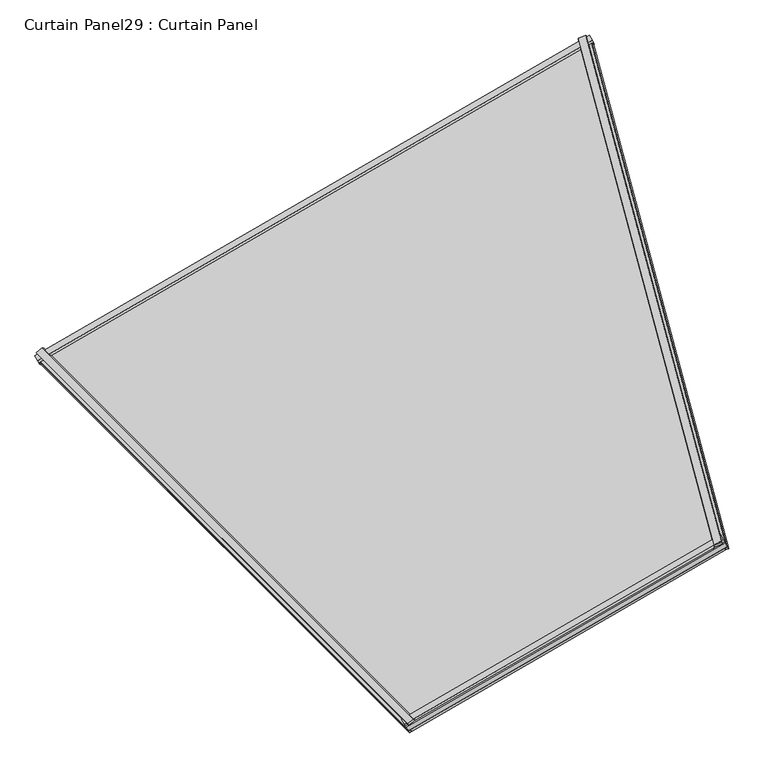
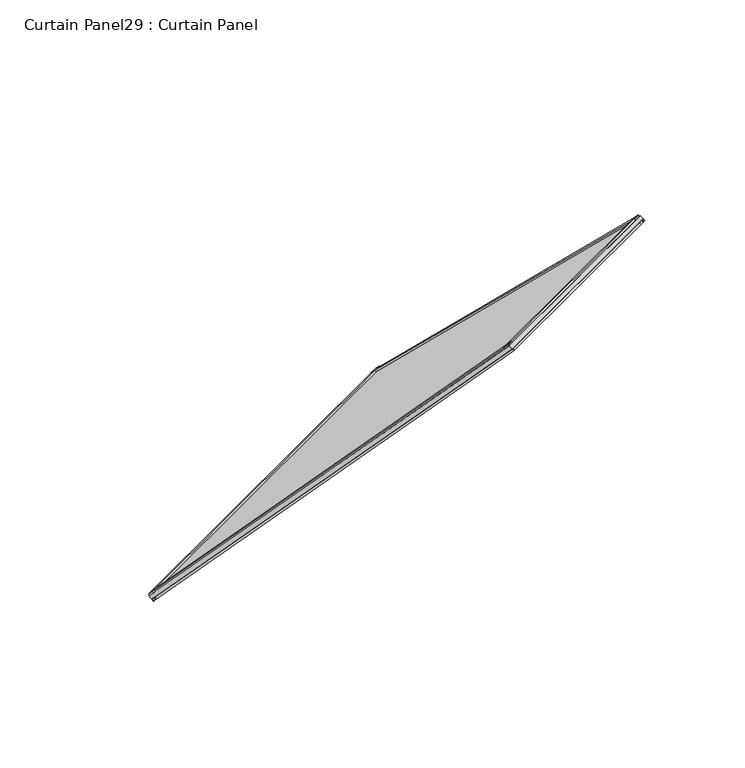
"""IFC4 building model written with IfcOpenShell, lengths in millimetres: plate geometry, Curtain Panel29 : Curtain Panel."""

import ifcopenshell
import ifcopenshell.guid

model = None  # the IFC model being written
_history = None  # IfcOwnerHistory: only IFC2X3 demands one
_inside = {}  # id of a spatial element -> (the spatial element, [elements in it])
_under = {}  # id of a project, library or spatial element -> (it, [spatial elements below it])
_declared = {}  # id of a project -> (the project, [libraries it declares])
_typed = {}  # id of a type object -> (the type object, [elements of that type])
_made_of = {}  # id of a material, layer set ... -> (it, [elements and type objects made of it])


def new_model(schema):
    """Start an empty IFC model of exactly this schema.

    Asked for "IFC4X3", IfcOpenShell would pick the latest addendum, in which some entities
    have other attributes; the version numbers below select the first issue.
    IFC2X3 requires an IfcOwnerHistory on every rooted entity: one is made here for all.
    """
    global model, _history
    if schema == "IFC4X3":
        model = ifcopenshell.file(schema_version=(4, 3, 0, 0))
    else:
        model = ifcopenshell.file(schema=schema)
    _inside.clear()
    _under.clear()
    _declared.clear()
    _typed.clear()
    _made_of.clear()
    _history = None
    if model.schema == "IFC2X3":
        org = make("IfcOrganization", Name="unknown")
        user = make(
            "IfcPersonAndOrganization",
            ThePerson=make("IfcPerson", FamilyName="unknown"),
            TheOrganization=org,
        )
        app = make(
            "IfcApplication",
            ApplicationDeveloper=org,
            Version="unknown",
            ApplicationFullName="unknown",
            ApplicationIdentifier="unknown",
        )
        _history = make(
            "IfcOwnerHistory",
            OwningUser=user,
            OwningApplication=app,
            ChangeAction="ADDED",
            CreationDate=0,
        )
    return model


def make(cls, **values):
    """One entity of the class cls with the attributes given. An attribute that is None is left unset."""
    return model.create_entity(
        cls, **{name: value for name, value in values.items() if value is not None}
    )


def rooted(cls, **values):
    """An entity with a GlobalId (a new one), such as an element, a storey or a relation."""
    return make(cls, GlobalId=ifcopenshell.guid.new(), OwnerHistory=_history, **values)


def si_unit(unit_type, name, prefix=None):
    """IfcSIUnit, for example si_unit("LENGTHUNIT", "METRE", prefix="MILLI")."""
    return make("IfcSIUnit", UnitType=unit_type, Prefix=prefix, Name=name)


def assignment(units):
    """IfcUnitAssignment: the units of a project."""
    return None if units is None else make("IfcUnitAssignment", Units=units)


def point(xyz):
    """IfcCartesianPoint."""
    return None if xyz is None else make("IfcCartesianPoint", Coordinates=xyz)


def direction(xyz):
    """IfcDirection."""
    return None if xyz is None else make("IfcDirection", DirectionRatios=xyz)


def frame(location, z_axis=None, x_axis=None):
    """IfcAxis2Placement3D, a coordinate frame: its origin and axes. An axis left out is left unset."""
    return make(
        "IfcAxis2Placement3D",
        Location=point(location),
        Axis=direction(z_axis),
        RefDirection=direction(x_axis),
    )


def origin():
    """The frame at (0, 0, 0) with its axes left unset."""
    return frame((0.0, 0.0, 0.0))


def place(relative_to, where):
    """IfcLocalPlacement: puts the frame where relative to a parent placement (None: the world)."""
    return make(
        "IfcLocalPlacement", PlacementRelTo=relative_to, RelativePlacement=where
    )


def context(
    kind, dimensions, precision=None, world=None, true_north=None, identifier=None
):
    """IfcGeometricRepresentationContext, for example the 3D "Model" context."""
    return make(
        "IfcGeometricRepresentationContext",
        ContextIdentifier=identifier,
        ContextType=kind,
        CoordinateSpaceDimension=dimensions,
        Precision=precision,
        WorldCoordinateSystem=world,
        TrueNorth=true_north,
    )


def project(units=None, contexts=None):
    """IfcProject with its units and contexts."""
    return rooted(
        "IfcProject",
        Name="project",
        RepresentationContexts=contexts,
        UnitsInContext=assignment(units),
    )


def spatial(cls, under=None, at=None, **own):
    """A site, building, storey or space (cls), placed at a placement, below another one or the project."""
    s = rooted(cls, ObjectPlacement=at, **own)
    if under is not None:
        _under.setdefault(under.id(), (under, []))[1].append(s)
    return s


def polyline(points):
    """IfcPolyline through the points."""
    return make("IfcPolyline", Points=[point(p) for p in points])


def outline(outer, holes=None, kind="AREA"):
    """IfcArbitraryClosedProfileDef: a profile drawn as a closed curve; with holes, ...WithVoids."""
    if holes is None:
        return make("IfcArbitraryClosedProfileDef", ProfileType=kind, OuterCurve=outer)
    return make(
        "IfcArbitraryProfileDefWithVoids",
        ProfileType=kind,
        OuterCurve=outer,
        InnerCurves=holes,
    )


def extrude(swept, where, along, depth):
    """IfcExtrudedAreaSolid: the profile swept, set in the frame where, extruded along a direction by depth."""
    return make(
        "IfcExtrudedAreaSolid",
        SweptArea=swept,
        Position=where,
        ExtrudedDirection=direction(along),
        Depth=depth,
    )


def shape(context_of_items, identifier, shape_type, items):
    """IfcShapeRepresentation: the items that make up one representation, for example the "Body"."""
    return make(
        "IfcShapeRepresentation",
        ContextOfItems=context_of_items,
        RepresentationIdentifier=identifier,
        RepresentationType=shape_type,
        Items=items,
    )


def source(mapping_origin, context_of_items, identifier, shape_type, items):
    """IfcRepresentationMap: a shape defined once, which mapped items show again and again."""
    return make(
        "IfcRepresentationMap",
        MappingOrigin=mapping_origin,
        MappedRepresentation=shape(context_of_items, identifier, shape_type, items),
    )


def transform(
    local_origin,
    x_axis=None,
    y_axis=None,
    z_axis=None,
    scale=None,
    scale2=None,
    scale3=None,
    uniform=True,
):
    """IfcCartesianTransformationOperator3D, or its non-uniform kind. x_axis, y_axis, z_axis: its Axis1, 2, 3."""
    if uniform:
        return make(
            "IfcCartesianTransformationOperator3D",
            Axis1=direction(x_axis),
            Axis2=direction(y_axis),
            LocalOrigin=point(local_origin),
            Scale=scale,
            Axis3=direction(z_axis),
        )
    return make(
        "IfcCartesianTransformationOperator3DnonUniform",
        Axis1=direction(x_axis),
        Axis2=direction(y_axis),
        LocalOrigin=point(local_origin),
        Scale=scale,
        Axis3=direction(z_axis),
        Scale2=scale2,
        Scale3=scale3,
    )


def mapped(mapping_source, mapping_target):
    """IfcMappedItem: shows the shape of a source again, moved by a transform."""
    return make(
        "IfcMappedItem", MappingSource=mapping_source, MappingTarget=mapping_target
    )


def made_of(thing, what):
    """Note that an element or type object is made of a material, layer set ...; save() writes the relation."""
    if what is not None:
        _made_of.setdefault(what.id(), (what, []))[1].append(thing)
    return thing


def element(
    cls,
    number,
    at=None,
    inside=None,
    cuts=None,
    type_object=None,
    material=None,
    context=None,
    identifier="Body",
    shape_type=None,
    held_by="IfcProductDefinitionShape",
    body=None,
    shapes=None,
    **own,
):
    """One element of the class cls, such as IfcWall. Its Tag is "e" and its number.

    at: its placement. inside: the storey or other place that contains it. cuts: it is an
    opening in that element (IfcRelVoidsElement). A single representation is given by context,
    identifier, shape_type and body (its items); several are given by shapes. held_by: the class
    of the entity that holds the representations. save() writes the other relations.
    """
    e = rooted(cls, Tag="e%d" % number, ObjectPlacement=at, **own)
    if body is not None:
        shapes = [shape(context, identifier, shape_type, body)]
    if shapes is not None:
        e.Representation = make(held_by, Representations=shapes)
    if inside is not None:
        _inside.setdefault(inside.id(), (inside, []))[1].append(e)
    if cuts is not None:
        rooted(
            "IfcRelVoidsElement", RelatingBuildingElement=cuts, RelatedOpeningElement=e
        )
    if type_object is not None:
        _typed.setdefault(type_object.id(), (type_object, []))[1].append(e)
    return made_of(e, material)


def aggregate(whole, parts):
    """IfcRelAggregates: a whole, such as a stair, and the parts it consists of."""
    return rooted("IfcRelAggregates", RelatingObject=whole, RelatedObjects=parts)


def save(model, path):
    """Write the relations noted so far, then the file.

    IfcRelAggregates (storeys below a building ...), IfcRelContainedInSpatialStructure (elements
    in a storey), IfcRelDefinesByType, IfcRelAssociatesMaterial and IfcRelDeclares: one each for
    every whole, place, type object, material and project.
    """
    for whole, parts in _under.values():
        aggregate(whole, parts)
    for where, things in _inside.values():
        rooted(
            "IfcRelContainedInSpatialStructure",
            RelatedElements=things,
            RelatingStructure=where,
        )
    for kind, things in _typed.values():
        rooted("IfcRelDefinesByType", RelatedObjects=things, RelatingType=kind)
    for what, things in _made_of.values():
        rooted("IfcRelAssociatesMaterial", RelatedObjects=things, RelatingMaterial=what)
    for by, libraries in _declared.values():
        rooted("IfcRelDeclares", RelatingContext=by, RelatedDefinitions=libraries)
    model.write(path)


def curtain_panel29_curtain_panel_507e8ab7(model_context):
    return source(origin(), model_context, "Body", "SweptSolid", [
        extrude(outline(polyline([(22.2825524, 5.9479819), (17.5121094, 5.963242), (17.5121094, 25.3444409), (22.3361991, 22.5896383), (22.2825524, 5.9479819)])), frame((-12895.4534678, -11166.6796422, 2447.9025634), z_axis=(0.18301270189222077, -0.6830127018922192, 0.7071067811865472), x_axis=(-0.35962729833820567, 0.6228927525104939, 0.6947465906068656)), (0.0, 0.0, 1.0), 1550.2696743),
        extrude(outline(polyline([(-2.4447918, 1e-07), (-0.1201655, 12.2675256), (4.7128906, 11.3518129), (4.7128906, 1e-07), (-2.4447918, 1e-07)])), frame((-12895.4534678, -11166.6796422, 2447.9025634), z_axis=(0.18301270189222077, -0.6830127018922192, 0.7071067811865472), x_axis=(-0.35962729833820567, 0.6228927525104939, 0.6947465906068656)), (0.0, 0.0, 1.0), 1550.2696743),
        extrude(outline(polyline([(22.3831197, -5.9476602), (22.4361731, -22.5325479), (17.5121094, -25.3444409), (17.5121094, -5.963242), (22.3831197, -5.9476602)])), frame((-14053.3849903, -11835.2117184, 2447.9025634), z_axis=(0.5000000000000105, -0.49999999999999095, 0.7071067811865465), x_axis=(-0.3596272983382057, 0.622892752510494, 0.6947465906068656)), (0.0, 0.0, 1.0), 1550.2696743),
        extrude(outline(polyline([(-2.3405704, 0.0), (4.7128906, 0.0), (4.7128907, -11.3518128), (-0.0198591, -12.2485207), (-2.3405704, 0.0)])), frame((-14053.3849903, -11835.2117184, 2447.9025634), z_axis=(0.5000000000000105, -0.49999999999999095, 0.7071067811865465), x_axis=(-0.3596272983382057, 0.622892752510494, 0.6947465906068656)), (0.0, 0.0, 1.0), 1550.2696743),
        extrude(outline(polyline([(4.7128906, 0.0), (-2.884415, 2.033638), (-0.0072961, 12.7820367), (4.7128906, 13.7689417), (4.7128906, 0.0)])), frame((-14053.1816863, -11835.3378371, 2448.1208762), z_axis=(0.8660254037844382, 0.5000000000000009, 0.0), x_axis=(-0.3596272983382058, 0.6228927525104941, 0.6947465906068656)), (0.0, 0.0, 1.0), 1336.8381383),
        extrude(outline(polyline([(22.4691869, 21.8874309), (22.473391, 5.2216894), (17.5121094, 3.9575953), (17.5121094, 24.3595661), (22.4691869, 21.8874309)])), frame((-14053.1816863, -11835.3378371, 2448.1208762), z_axis=(0.8660254037844382, 0.5000000000000009, 0.0), x_axis=(-0.3596272983382058, 0.6228927525104941, 0.6947465906068656)), (0.0, 0.0, 1.0), 1336.8381383),
        extrude(outline(polyline([(4.7128906, 0.0), (4.7128906, -13.7689417), (-0.0072961, -12.7820366), (-2.884415, -2.0336379), (4.7128906, 0.0)])), frame((-13278.0468492, -12610.4726742, 3544.3270755), z_axis=(0.8660254037844382, 0.5000000000000009, 0.0), x_axis=(-0.35962729833820567, 0.6228927525104939, 0.6947465906068656)), (0.0, 0.0, 1.0), 769.4000548),
        extrude(outline(polyline([(22.4691869, -21.8874308), (17.5121094, -24.3595661), (17.5121094, -3.9575953), (22.473391, -5.2216894), (22.4691869, -21.8874308)])), frame((-13278.0468492, -12610.4726742, 3544.3270755), z_axis=(0.8660254037844382, 0.5000000000000009, 0.0), x_axis=(-0.35962729833820567, 0.6228927525104939, 0.6947465906068656)), (0.0, 0.0, 1.0), 769.4000548),
        extrude(outline(polyline([(-15.9846768, 0.0), (-260.6637182, -1314.3707741), (-1707.0850156, -756.5164084), (-1566.254351, 0.0), (-15.9846768, 0.0)])), frame((-14062.9178423, -11824.4381251, 2440.0922676), z_axis=(-0.35962729833820567, 0.622892752510494, 0.6947465906068655), x_axis=(-0.5000000000000094, 0.49999999999999184, -0.7071067811865466)), (0.0, 0.0, 1.0), 12.7992188),
    ])


if __name__ == "__main__":
    model = new_model("IFC4")
    model_context = context("Model", 3, world=origin())
    ifc_project = project(units=[si_unit("LENGTHUNIT", "METRE", prefix="MILLI")], contexts=[model_context])
    site = spatial("IfcSite", under=ifc_project)
    building = spatial("IfcBuilding", under=site)
    placement = place(None, origin())
    curtain_panel29_curtain_panel_shape = curtain_panel29_curtain_panel_507e8ab7(model_context)
    element("IfcPlate", 1, ObjectType="Curtain Panel29 : Curtain Panel", at=placement, inside=building, context=model_context, shape_type="MappedRepresentation", body=[
        mapped(curtain_panel29_curtain_panel_shape, transform((0.0, 0.0, 0.0), x_axis=(1.0, 0.0, 0.0), y_axis=(0.0, 1.0, 0.0), z_axis=(0.0, 0.0, 1.0))),
    ])
    save(model, "model.ifc")
